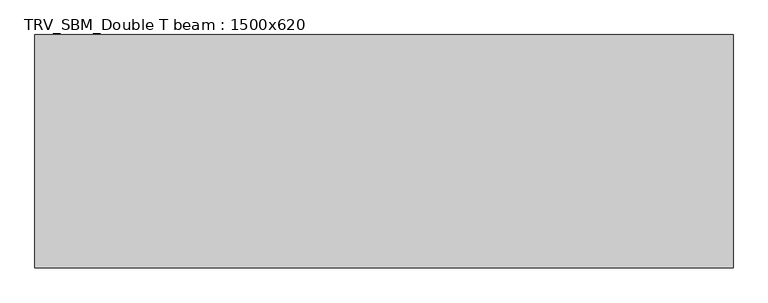
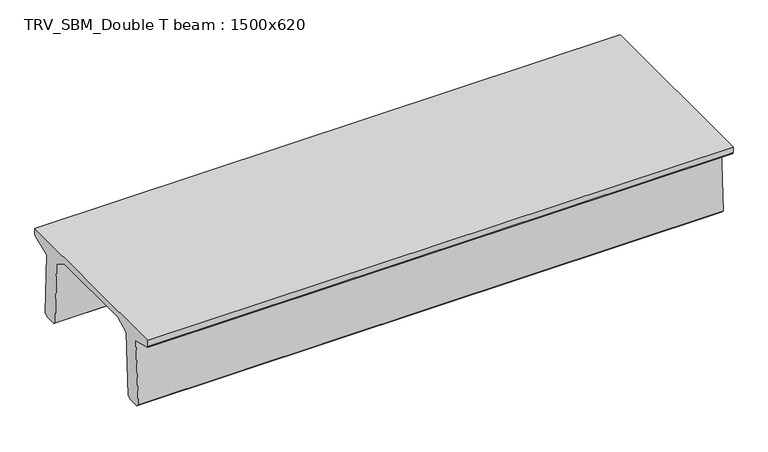
"""IFC4 building model written with IfcOpenShell, lengths in millimetres: beam geometry, TRV_SBM_Double T beam : 1500x620."""

import ifcopenshell
import ifcopenshell.guid

model = None  # the IFC model being written
_history = None  # IfcOwnerHistory: only IFC2X3 demands one
_inside = {}  # id of a spatial element -> (the spatial element, [elements in it])
_under = {}  # id of a project, library or spatial element -> (it, [spatial elements below it])
_declared = {}  # id of a project -> (the project, [libraries it declares])
_typed = {}  # id of a type object -> (the type object, [elements of that type])
_made_of = {}  # id of a material, layer set ... -> (it, [elements and type objects made of it])


def new_model(schema):
    """Start an empty IFC model of exactly this schema.

    Asked for "IFC4X3", IfcOpenShell would pick the latest addendum, in which some entities
    have other attributes; the version numbers below select the first issue.
    IFC2X3 requires an IfcOwnerHistory on every rooted entity: one is made here for all.
    """
    global model, _history
    if schema == "IFC4X3":
        model = ifcopenshell.file(schema_version=(4, 3, 0, 0))
    else:
        model = ifcopenshell.file(schema=schema)
    _inside.clear()
    _under.clear()
    _declared.clear()
    _typed.clear()
    _made_of.clear()
    _history = None
    if model.schema == "IFC2X3":
        org = make("IfcOrganization", Name="unknown")
        user = make(
            "IfcPersonAndOrganization",
            ThePerson=make("IfcPerson", FamilyName="unknown"),
            TheOrganization=org,
        )
        app = make(
            "IfcApplication",
            ApplicationDeveloper=org,
            Version="unknown",
            ApplicationFullName="unknown",
            ApplicationIdentifier="unknown",
        )
        _history = make(
            "IfcOwnerHistory",
            OwningUser=user,
            OwningApplication=app,
            ChangeAction="ADDED",
            CreationDate=0,
        )
    return model


def make(cls, **values):
    """One entity of the class cls with the attributes given. An attribute that is None is left unset."""
    return model.create_entity(
        cls, **{name: value for name, value in values.items() if value is not None}
    )


def rooted(cls, **values):
    """An entity with a GlobalId (a new one), such as an element, a storey or a relation."""
    return make(cls, GlobalId=ifcopenshell.guid.new(), OwnerHistory=_history, **values)


def si_unit(unit_type, name, prefix=None):
    """IfcSIUnit, for example si_unit("LENGTHUNIT", "METRE", prefix="MILLI")."""
    return make("IfcSIUnit", UnitType=unit_type, Prefix=prefix, Name=name)


def assignment(units):
    """IfcUnitAssignment: the units of a project."""
    return None if units is None else make("IfcUnitAssignment", Units=units)


def point(xyz):
    """IfcCartesianPoint."""
    return None if xyz is None else make("IfcCartesianPoint", Coordinates=xyz)


def direction(xyz):
    """IfcDirection."""
    return None if xyz is None else make("IfcDirection", DirectionRatios=xyz)


def frame(location, z_axis=None, x_axis=None):
    """IfcAxis2Placement3D, a coordinate frame: its origin and axes. An axis left out is left unset."""
    return make(
        "IfcAxis2Placement3D",
        Location=point(location),
        Axis=direction(z_axis),
        RefDirection=direction(x_axis),
    )


def origin():
    """The frame at (0, 0, 0) with its axes left unset."""
    return frame((0.0, 0.0, 0.0))


def place(relative_to, where):
    """IfcLocalPlacement: puts the frame where relative to a parent placement (None: the world)."""
    return make(
        "IfcLocalPlacement", PlacementRelTo=relative_to, RelativePlacement=where
    )


def context(
    kind, dimensions, precision=None, world=None, true_north=None, identifier=None
):
    """IfcGeometricRepresentationContext, for example the 3D "Model" context."""
    return make(
        "IfcGeometricRepresentationContext",
        ContextIdentifier=identifier,
        ContextType=kind,
        CoordinateSpaceDimension=dimensions,
        Precision=precision,
        WorldCoordinateSystem=world,
        TrueNorth=true_north,
    )


def project(units=None, contexts=None):
    """IfcProject with its units and contexts."""
    return rooted(
        "IfcProject",
        Name="project",
        RepresentationContexts=contexts,
        UnitsInContext=assignment(units),
    )


def spatial(cls, under=None, at=None, **own):
    """A site, building, storey or space (cls), placed at a placement, below another one or the project."""
    s = rooted(cls, ObjectPlacement=at, **own)
    if under is not None:
        _under.setdefault(under.id(), (under, []))[1].append(s)
    return s


def polyline(points):
    """IfcPolyline through the points."""
    return make("IfcPolyline", Points=[point(p) for p in points])


def outline(outer, holes=None, kind="AREA"):
    """IfcArbitraryClosedProfileDef: a profile drawn as a closed curve; with holes, ...WithVoids."""
    if holes is None:
        return make("IfcArbitraryClosedProfileDef", ProfileType=kind, OuterCurve=outer)
    return make(
        "IfcArbitraryProfileDefWithVoids",
        ProfileType=kind,
        OuterCurve=outer,
        InnerCurves=holes,
    )


def extrude(swept, where, along, depth):
    """IfcExtrudedAreaSolid: the profile swept, set in the frame where, extruded along a direction by depth."""
    return make(
        "IfcExtrudedAreaSolid",
        SweptArea=swept,
        Position=where,
        ExtrudedDirection=direction(along),
        Depth=depth,
    )


def shape(context_of_items, identifier, shape_type, items):
    """IfcShapeRepresentation: the items that make up one representation, for example the "Body"."""
    return make(
        "IfcShapeRepresentation",
        ContextOfItems=context_of_items,
        RepresentationIdentifier=identifier,
        RepresentationType=shape_type,
        Items=items,
    )


def source(mapping_origin, context_of_items, identifier, shape_type, items):
    """IfcRepresentationMap: a shape defined once, which mapped items show again and again."""
    return make(
        "IfcRepresentationMap",
        MappingOrigin=mapping_origin,
        MappedRepresentation=shape(context_of_items, identifier, shape_type, items),
    )


def transform(
    local_origin,
    x_axis=None,
    y_axis=None,
    z_axis=None,
    scale=None,
    scale2=None,
    scale3=None,
    uniform=True,
):
    """IfcCartesianTransformationOperator3D, or its non-uniform kind. x_axis, y_axis, z_axis: its Axis1, 2, 3."""
    if uniform:
        return make(
            "IfcCartesianTransformationOperator3D",
            Axis1=direction(x_axis),
            Axis2=direction(y_axis),
            LocalOrigin=point(local_origin),
            Scale=scale,
            Axis3=direction(z_axis),
        )
    return make(
        "IfcCartesianTransformationOperator3DnonUniform",
        Axis1=direction(x_axis),
        Axis2=direction(y_axis),
        LocalOrigin=point(local_origin),
        Scale=scale,
        Axis3=direction(z_axis),
        Scale2=scale2,
        Scale3=scale3,
    )


def mapped(mapping_source, mapping_target):
    """IfcMappedItem: shows the shape of a source again, moved by a transform."""
    return make(
        "IfcMappedItem", MappingSource=mapping_source, MappingTarget=mapping_target
    )


def made_of(thing, what):
    """Note that an element or type object is made of a material, layer set ...; save() writes the relation."""
    if what is not None:
        _made_of.setdefault(what.id(), (what, []))[1].append(thing)
    return thing


def element(
    cls,
    number,
    at=None,
    inside=None,
    cuts=None,
    type_object=None,
    material=None,
    context=None,
    identifier="Body",
    shape_type=None,
    held_by="IfcProductDefinitionShape",
    body=None,
    shapes=None,
    **own,
):
    """One element of the class cls, such as IfcWall. Its Tag is "e" and its number.

    at: its placement. inside: the storey or other place that contains it. cuts: it is an
    opening in that element (IfcRelVoidsElement). A single representation is given by context,
    identifier, shape_type and body (its items); several are given by shapes. held_by: the class
    of the entity that holds the representations. save() writes the other relations.
    """
    e = rooted(cls, Tag="e%d" % number, ObjectPlacement=at, **own)
    if body is not None:
        shapes = [shape(context, identifier, shape_type, body)]
    if shapes is not None:
        e.Representation = make(held_by, Representations=shapes)
    if inside is not None:
        _inside.setdefault(inside.id(), (inside, []))[1].append(e)
    if cuts is not None:
        rooted(
            "IfcRelVoidsElement", RelatingBuildingElement=cuts, RelatedOpeningElement=e
        )
    if type_object is not None:
        _typed.setdefault(type_object.id(), (type_object, []))[1].append(e)
    return made_of(e, material)


def aggregate(whole, parts):
    """IfcRelAggregates: a whole, such as a stair, and the parts it consists of."""
    return rooted("IfcRelAggregates", RelatingObject=whole, RelatedObjects=parts)


def save(model, path):
    """Write the relations noted so far, then the file.

    IfcRelAggregates (storeys below a building ...), IfcRelContainedInSpatialStructure (elements
    in a storey), IfcRelDefinesByType, IfcRelAssociatesMaterial and IfcRelDeclares: one each for
    every whole, place, type object, material and project.
    """
    for whole, parts in _under.values():
        aggregate(whole, parts)
    for where, things in _inside.values():
        rooted(
            "IfcRelContainedInSpatialStructure",
            RelatedElements=things,
            RelatingStructure=where,
        )
    for kind, things in _typed.values():
        rooted("IfcRelDefinesByType", RelatedObjects=things, RelatingType=kind)
    for what, things in _made_of.values():
        rooted("IfcRelAssociatesMaterial", RelatedObjects=things, RelatingMaterial=what)
    for by, libraries in _declared.values():
        rooted("IfcRelDeclares", RelatingContext=by, RelatedDefinitions=libraries)
    model.write(path)


def trv_sbm_double_t_beam_1500x620_48c9097d(model_context):
    return source(origin(), model_context, "Body", "SweptSolid", [
        extrude(outline(polyline([(-765.0, 215.0), (-765.0, 260.0), (735.0, 260.0), (735.0, 215.0), (728.2094488, 201.315559), (578.0626443, 140.6523122), (594.8277662, -339.4379646), (574.2657308, -360.0), (484.2657308, -360.0), (464.786332, -340.5206011), (447.8600761, 144.18395), (338.3237744, 210.0), (-367.4555014, 210.0), (-476.5389732, 151.9992892), (-507.0080378, -339.3850967), (-527.622941, -360.0), (-615.122941, -360.0), (-637.1143055, -338.0086356), (-606.1572167, 162.687806), (-761.3068466, 204.260024), (-765.0, 215.0)])), frame((-2204.0, 0.0, 0.0), z_axis=(1.0, 0.0, 0.0), x_axis=(0.0, 1.0, 0.0)), (0.0, 0.0, 1.0), 4485.0),
    ])


if __name__ == "__main__":
    model = new_model("IFC4")
    model_context = context("Model", 3, world=origin())
    ifc_project = project(units=[si_unit("LENGTHUNIT", "METRE", prefix="MILLI")], contexts=[model_context])
    site = spatial("IfcSite", under=ifc_project)
    building = spatial("IfcBuilding", under=site)
    placement = place(None, origin())
    trv_sbm_double_t_beam_1500x620_shape = trv_sbm_double_t_beam_1500x620_48c9097d(model_context)
    element("IfcBeam", 1, ObjectType="TRV_SBM_Double T beam : 1500x620", at=placement, inside=building, context=model_context, shape_type="MappedRepresentation", body=[
        mapped(trv_sbm_double_t_beam_1500x620_shape, transform((0.0, 0.0, 0.0), x_axis=(1.0, 0.0, 0.0), y_axis=(0.0, 1.0, 0.0), z_axis=(0.0, 0.0, 1.0))),
    ])
    save(model, "model.ifc")
